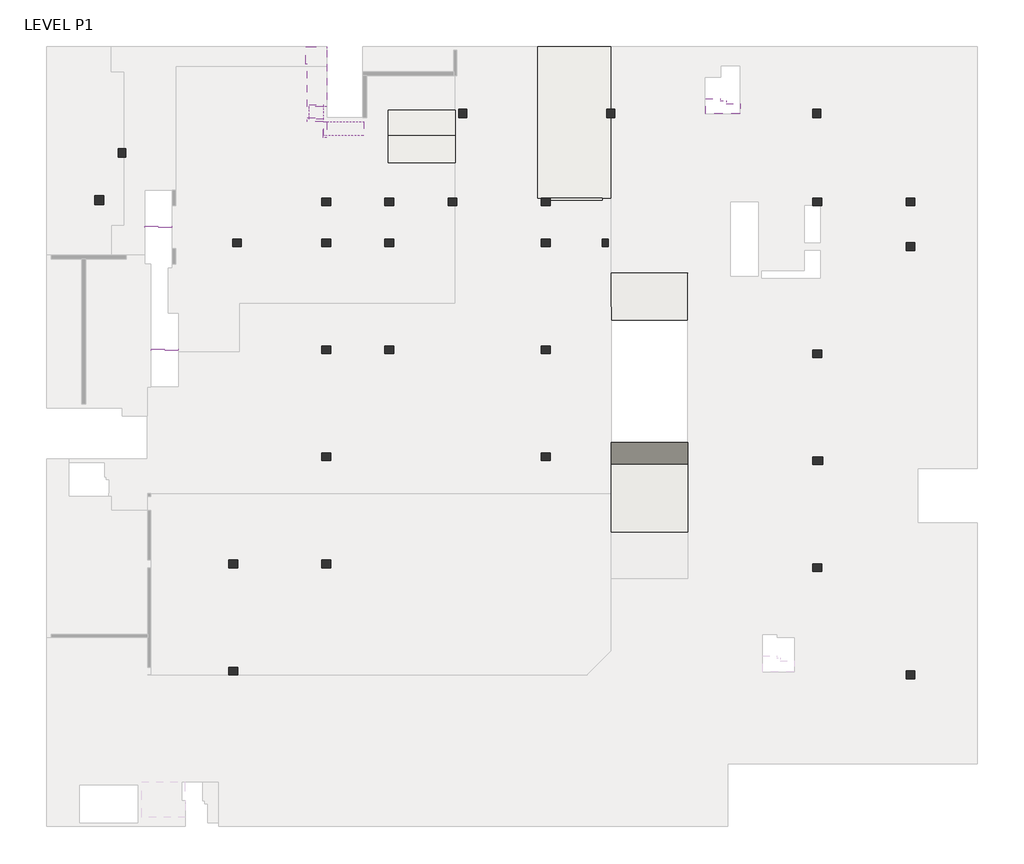
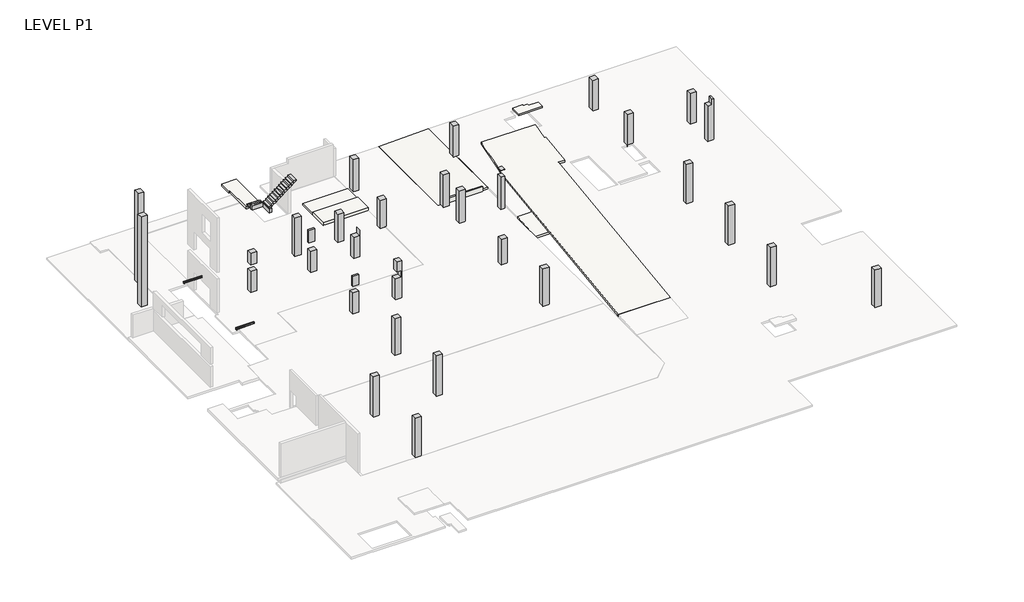
# One storey, part 2 of 2: 29 columns, 9 slabs, 5 beams, 2 stair flights.
"""IFC4 building model written with IfcOpenShell, lengths in millimetres."""

import ifcopenshell
import ifcopenshell.guid

model = None  # the IFC model being written
_history = None  # IfcOwnerHistory: only IFC2X3 demands one
_inside = {}  # id of a spatial element -> (the spatial element, [elements in it])
_under = {}  # id of a project, library or spatial element -> (it, [spatial elements below it])
_declared = {}  # id of a project -> (the project, [libraries it declares])
_typed = {}  # id of a type object -> (the type object, [elements of that type])
_made_of = {}  # id of a material, layer set ... -> (it, [elements and type objects made of it])


def new_model(schema):
    """Start an empty IFC model of exactly this schema.

    Asked for "IFC4X3", IfcOpenShell would pick the latest addendum, in which some entities
    have other attributes; the version numbers below select the first issue.
    IFC2X3 requires an IfcOwnerHistory on every rooted entity: one is made here for all.
    """
    global model, _history
    if schema == "IFC4X3":
        model = ifcopenshell.file(schema_version=(4, 3, 0, 0))
    else:
        model = ifcopenshell.file(schema=schema)
    _inside.clear()
    _under.clear()
    _declared.clear()
    _typed.clear()
    _made_of.clear()
    _history = None
    if model.schema == "IFC2X3":
        org = make("IfcOrganization", Name="unknown")
        user = make(
            "IfcPersonAndOrganization",
            ThePerson=make("IfcPerson", FamilyName="unknown"),
            TheOrganization=org,
        )
        app = make(
            "IfcApplication",
            ApplicationDeveloper=org,
            Version="unknown",
            ApplicationFullName="unknown",
            ApplicationIdentifier="unknown",
        )
        _history = make(
            "IfcOwnerHistory",
            OwningUser=user,
            OwningApplication=app,
            ChangeAction="ADDED",
            CreationDate=0,
        )
    return model


def make(cls, **values):
    """One entity of the class cls with the attributes given. An attribute that is None is left unset."""
    return model.create_entity(
        cls, **{name: value for name, value in values.items() if value is not None}
    )


def rooted(cls, **values):
    """An entity with a GlobalId (a new one), such as an element, a storey or a relation."""
    return make(cls, GlobalId=ifcopenshell.guid.new(), OwnerHistory=_history, **values)


def si_unit(unit_type, name, prefix=None):
    """IfcSIUnit, for example si_unit("LENGTHUNIT", "METRE", prefix="MILLI")."""
    return make("IfcSIUnit", UnitType=unit_type, Prefix=prefix, Name=name)


def assignment(units):
    """IfcUnitAssignment: the units of a project."""
    return None if units is None else make("IfcUnitAssignment", Units=units)


def point(xyz):
    """IfcCartesianPoint."""
    return None if xyz is None else make("IfcCartesianPoint", Coordinates=xyz)


def direction(xyz):
    """IfcDirection."""
    return None if xyz is None else make("IfcDirection", DirectionRatios=xyz)


def frame(location, z_axis=None, x_axis=None):
    """IfcAxis2Placement3D, a coordinate frame: its origin and axes. An axis left out is left unset."""
    return make(
        "IfcAxis2Placement3D",
        Location=point(location),
        Axis=direction(z_axis),
        RefDirection=direction(x_axis),
    )


def frame_2d(location, x_axis=None):
    """IfcAxis2Placement2D, a coordinate frame in the plane: its origin and x axis."""
    return make(
        "IfcAxis2Placement2D", Location=point(location), RefDirection=direction(x_axis)
    )


def origin():
    """The frame at (0, 0, 0) with its axes left unset."""
    return frame((0.0, 0.0, 0.0))


def place(relative_to, where):
    """IfcLocalPlacement: puts the frame where relative to a parent placement (None: the world)."""
    return make(
        "IfcLocalPlacement", PlacementRelTo=relative_to, RelativePlacement=where
    )


def context(
    kind, dimensions, precision=None, world=None, true_north=None, identifier=None
):
    """IfcGeometricRepresentationContext, for example the 3D "Model" context."""
    return make(
        "IfcGeometricRepresentationContext",
        ContextIdentifier=identifier,
        ContextType=kind,
        CoordinateSpaceDimension=dimensions,
        Precision=precision,
        WorldCoordinateSystem=world,
        TrueNorth=true_north,
    )


def project(units=None, contexts=None):
    """IfcProject with its units and contexts."""
    return rooted(
        "IfcProject",
        Name="project",
        RepresentationContexts=contexts,
        UnitsInContext=assignment(units),
    )


def spatial(cls, under=None, at=None, **own):
    """A site, building, storey or space (cls), placed at a placement, below another one or the project."""
    s = rooted(cls, ObjectPlacement=at, **own)
    if under is not None:
        _under.setdefault(under.id(), (under, []))[1].append(s)
    return s


def polyline(points):
    """IfcPolyline through the points."""
    return make("IfcPolyline", Points=[point(p) for p in points])


def circle_curve(where, radius):
    """IfcCircle in the frame where."""
    return make("IfcCircle", Position=where, Radius=radius)


def trimmed(basis, trim1, trim2, sense, master):
    """IfcTrimmedCurve: the piece of a basis curve between two trims."""
    return make(
        "IfcTrimmedCurve",
        BasisCurve=basis,
        Trim1=trim1,
        Trim2=trim2,
        SenseAgreement=sense,
        MasterRepresentation=master,
    )


def segment(curve, same_sense, transition):
    """IfcCompositeCurveSegment."""
    return make(
        "IfcCompositeCurveSegment",
        Transition=transition,
        SameSense=same_sense,
        ParentCurve=curve,
    )


def composite_curve(segments, self_intersect=None):
    """IfcCompositeCurve: segments joined end to end."""
    return make("IfcCompositeCurve", Segments=segments, SelfIntersect=self_intersect)


def outline(outer, holes=None, kind="AREA"):
    """IfcArbitraryClosedProfileDef: a profile drawn as a closed curve; with holes, ...WithVoids."""
    if holes is None:
        return make("IfcArbitraryClosedProfileDef", ProfileType=kind, OuterCurve=outer)
    return make(
        "IfcArbitraryProfileDefWithVoids",
        ProfileType=kind,
        OuterCurve=outer,
        InnerCurves=holes,
    )


def extrude(swept, where, along, depth):
    """IfcExtrudedAreaSolid: the profile swept, set in the frame where, extruded along a direction by depth."""
    return make(
        "IfcExtrudedAreaSolid",
        SweptArea=swept,
        Position=where,
        ExtrudedDirection=direction(along),
        Depth=depth,
    )


def faces_of(points, faces, orient=None, outer=None):
    """IfcFace entities. A face is a list of loops; a loop is a list of indices into points, from 0.

    orient and outer hold one flag for each loop. By default every Orientation is true, the
    first loop of a face is its IfcFaceOuterBound and the others are IfcFaceBound.
    """
    made = []
    for i, loops in enumerate(faces):
        bounds = []
        for j, loop in enumerate(loops):
            is_outer = j == 0 if outer is None else outer[i][j]
            bounds.append(
                make(
                    "IfcFaceOuterBound" if is_outer else "IfcFaceBound",
                    Bound=make("IfcPolyLoop", Polygon=[points[k] for k in loop]),
                    Orientation=True if orient is None else orient[i][j],
                )
            )
        made.append(make("IfcFace", Bounds=bounds))
    return made


def faceted_brep(points, faces, orient=None, outer=None, voids=None):
    """IfcFacetedBrep: a solid bounded by flat faces; with voids (closed shells), ...WithVoids."""
    shared = [point(p) for p in points]
    hull = make("IfcClosedShell", CfsFaces=faces_of(shared, faces, orient, outer))
    if voids is None:
        return make("IfcFacetedBrep", Outer=hull)
    return make(
        "IfcFacetedBrepWithVoids",
        Outer=hull,
        Voids=[
            make(cls, CfsFaces=faces_of(shared, fs, o, b)) for cls, fs, o, b in voids
        ],
    )


def shape(context_of_items, identifier, shape_type, items):
    """IfcShapeRepresentation: the items that make up one representation, for example the "Body"."""
    return make(
        "IfcShapeRepresentation",
        ContextOfItems=context_of_items,
        RepresentationIdentifier=identifier,
        RepresentationType=shape_type,
        Items=items,
    )


def source(mapping_origin, context_of_items, identifier, shape_type, items):
    """IfcRepresentationMap: a shape defined once, which mapped items show again and again."""
    return make(
        "IfcRepresentationMap",
        MappingOrigin=mapping_origin,
        MappedRepresentation=shape(context_of_items, identifier, shape_type, items),
    )


def transform(
    local_origin,
    x_axis=None,
    y_axis=None,
    z_axis=None,
    scale=None,
    scale2=None,
    scale3=None,
    uniform=True,
):
    """IfcCartesianTransformationOperator3D, or its non-uniform kind. x_axis, y_axis, z_axis: its Axis1, 2, 3."""
    if uniform:
        return make(
            "IfcCartesianTransformationOperator3D",
            Axis1=direction(x_axis),
            Axis2=direction(y_axis),
            LocalOrigin=point(local_origin),
            Scale=scale,
            Axis3=direction(z_axis),
        )
    return make(
        "IfcCartesianTransformationOperator3DnonUniform",
        Axis1=direction(x_axis),
        Axis2=direction(y_axis),
        LocalOrigin=point(local_origin),
        Scale=scale,
        Axis3=direction(z_axis),
        Scale2=scale2,
        Scale3=scale3,
    )


def mapped(mapping_source, mapping_target):
    """IfcMappedItem: shows the shape of a source again, moved by a transform."""
    return make(
        "IfcMappedItem", MappingSource=mapping_source, MappingTarget=mapping_target
    )


def made_of(thing, what):
    """Note that an element or type object is made of a material, layer set ...; save() writes the relation."""
    if what is not None:
        _made_of.setdefault(what.id(), (what, []))[1].append(thing)
    return thing


def element(
    cls,
    number,
    at=None,
    inside=None,
    cuts=None,
    type_object=None,
    material=None,
    context=None,
    identifier="Body",
    shape_type=None,
    held_by="IfcProductDefinitionShape",
    body=None,
    shapes=None,
    **own,
):
    """One element of the class cls, such as IfcWall. Its Tag is "e" and its number.

    at: its placement. inside: the storey or other place that contains it. cuts: it is an
    opening in that element (IfcRelVoidsElement). A single representation is given by context,
    identifier, shape_type and body (its items); several are given by shapes. held_by: the class
    of the entity that holds the representations. save() writes the other relations.
    """
    e = rooted(cls, Tag="e%d" % number, ObjectPlacement=at, **own)
    if body is not None:
        shapes = [shape(context, identifier, shape_type, body)]
    if shapes is not None:
        e.Representation = make(held_by, Representations=shapes)
    if inside is not None:
        _inside.setdefault(inside.id(), (inside, []))[1].append(e)
    if cuts is not None:
        rooted(
            "IfcRelVoidsElement", RelatingBuildingElement=cuts, RelatedOpeningElement=e
        )
    if type_object is not None:
        _typed.setdefault(type_object.id(), (type_object, []))[1].append(e)
    return made_of(e, material)


def aggregate(whole, parts):
    """IfcRelAggregates: a whole, such as a stair, and the parts it consists of."""
    return rooted("IfcRelAggregates", RelatingObject=whole, RelatedObjects=parts)


def save(model, path):
    """Write the relations noted so far, then the file.

    IfcRelAggregates (storeys below a building ...), IfcRelContainedInSpatialStructure (elements
    in a storey), IfcRelDefinesByType, IfcRelAssociatesMaterial and IfcRelDeclares: one each for
    every whole, place, type object, material and project.
    """
    for whole, parts in _under.values():
        aggregate(whole, parts)
    for where, things in _inside.values():
        rooted(
            "IfcRelContainedInSpatialStructure",
            RelatedElements=things,
            RelatingStructure=where,
        )
    for kind, things in _typed.values():
        rooted("IfcRelDefinesByType", RelatedObjects=things, RelatingType=kind)
    for what, things in _made_of.values():
        rooted("IfcRelAssociatesMaterial", RelatedObjects=things, RelatingMaterial=what)
    for by, libraries in _declared.values():
        rooted("IfcRelDeclares", RelatingContext=by, RelatedDefinitions=libraries)
    model.write(path)


def s200x27_005503ed(model_context):
    return source(origin(), model_context, "Body", "SweptSolid", [
        extrude(outline(composite_curve([segment(polyline([(51.0, -90.7), (51.0, -101.5), (-51.0, -101.5), (-51.0, -90.7), (-16.65, -90.7)]), True, "CONTINUOUS"), segment(trimmed(circle_curve(frame_2d((-16.65, -77.5)), 13.2), [point((-16.65, -90.7))], [point((-3.45, -77.5))], True, "CARTESIAN"), True, "CONTINUOUS"), segment(polyline([(-3.45, -77.5), (-3.45, 77.5)]), True, "CONTINUOUS"), segment(trimmed(circle_curve(frame_2d((-16.65, 77.5)), 13.2), [point((-3.45, 77.5))], [point((-16.65, 90.7))], True, "CARTESIAN"), True, "CONTINUOUS"), segment(polyline([(-16.65, 90.7), (-51.0, 90.7), (-51.0, 101.5), (51.0, 101.5), (51.0, 90.7), (16.65, 90.7)]), True, "CONTINUOUS"), segment(trimmed(circle_curve(frame_2d((16.65, 77.5)), 13.2), [point((16.65, 90.7))], [point((3.45, 77.5))], True, "CARTESIAN"), True, "CONTINUOUS"), segment(polyline([(3.45, 77.5), (3.45, -77.5)]), True, "CONTINUOUS"), segment(trimmed(circle_curve(frame_2d((16.65, -77.5)), 13.2), [point((3.45, -77.5))], [point((16.65, -90.7))], True, "CARTESIAN"), True, "CONTINUOUS"), segment(polyline([(16.65, -90.7), (51.0, -90.7)]), True, "CONTINUOUS")], self_intersect=False)), frame((-1067.0, 0.0, 0.0), z_axis=(1.0, 0.0, 0.0), x_axis=(0.0, 1.0, 0.0)), (0.0, 0.0, 1.0), 2134.0),
    ])


model = new_model("IFC4")

# Units and contexts
model_context = context("Model", 3, world=origin())
ifc_project = project(units=[si_unit("LENGTHUNIT", "METRE", prefix="MILLI")], contexts=[model_context])

# Site, building, storey
site = spatial("IfcSite", under=ifc_project)
building = spatial("IfcBuilding", under=site)
storey = spatial("IfcBuildingStorey", under=building, Name="LEVEL P1", Elevation=-5400.0)

# Beams
placement = place(None, origin())
element("IfcBeam", 1, ObjectType="110 DP.", at=placement, inside=storey, context=model_context, shape_type="SweptSolid", body=[
    extrude(outline(polyline([(187204.1491693, 170963.2834172), (187204.1491693, 168163.2834172), (178361.1491693, 168163.2834172), (178361.1491693, 170963.2834172), (187204.1491693, 170963.2834172)]), holes=[polyline([(186201.1489175, 169263.2322067), (186201.1489175, 169863.2322067), (185501.1489175, 169863.2322067), (185501.1489175, 169263.2322067), (186201.1489175, 169263.2322067)])]), frame((0.0, 0.0, -5510.0), z_axis=(0.0, 0.0, 1.0), x_axis=(1.0, 0.0, 0.0)), (0.0, 0.0, 1.0), 110.0),
])
element("IfcBeam", 2, ObjectType="300X500", at=placement, inside=storey, context=model_context, shape_type="SweptSolid", body=[
    extrude(outline(polyline([(198454.4437068, 212663.2318341), (198454.4437068, 212963.2318341), (199694.4437068, 212963.2318341), (199694.4437068, 212663.2318341), (198454.4437068, 212663.2318341)])), frame((0.0, 0.0, -3315.0), z_axis=(0.0, 0.0, 1.0), x_axis=(1.0, 0.0, 0.0)), (0.0, 0.0, 1.0), 500.0),
])
element("IfcBeam", 3, ObjectType="300X500", at=placement, inside=storey, context=model_context, shape_type="SweptSolid", body=[
    extrude(outline(polyline([(199994.4437068, 211423.2318341), (199694.4437068, 211423.2318341), (199694.4437068, 212663.2318341), (199994.4437068, 212663.2318341), (199994.4437068, 211423.2318341)])), frame((0.0, 0.0, -3315.0), z_axis=(0.0, 0.0, 1.0), x_axis=(1.0, 0.0, 0.0)), (0.0, 0.0, 1.0), 500.0),
])
s200x27_shape = s200x27_005503ed(model_context)
element("IfcBeam", 4, ObjectType="S200X27", at=placement, inside=storey, context=model_context, shape_type="MappedRepresentation", body=[
    mapped(s200x27_shape, transform((186781.1489205, 204400.6983002, -2701.5), x_axis=(1.0, 0.0, 0.0), y_axis=(0.0, 1.0, 0.0), z_axis=(0.0, 0.0, 1.0))),
])
element("IfcBeam", 5, ObjectType="S200X27", at=placement, inside=storey, context=model_context, shape_type="MappedRepresentation", body=[
    mapped(s200x27_shape, transform((187281.1489175, 194763.2322067, -2701.5), x_axis=(1.0, 0.0, 0.0), y_axis=(0.0, 1.0, 0.0), z_axis=(0.0, 0.0, 1.0))),
])

# Columns
element("IfcColumn", 6, ObjectType="SE_CONCRETE COLUMN_RECTANGULAR : 600X700", at=placement, inside=storey, context=model_context, shape_type="SweptSolid", body=[
    extrude(outline(polyline([(183637.3313273, 209868.1983002), (183637.3313273, 210568.1983002), (184237.3313273, 210568.1983002), (184237.3313273, 209868.1983002), (183637.3313273, 209868.1983002)])), frame((0.0, 0.0, -5400.0), z_axis=(0.0, 0.0, 1.0), x_axis=(1.0, 0.0, 0.0)), (0.0, 0.0, 1.0), 11000.0),
])
element("IfcColumn", 7, ObjectType="SE_CONCRETE COLUMN_RECTANGULAR : 600X700", at=placement, inside=storey, context=model_context, shape_type="SweptSolid", body=[
    extrude(outline(polyline([(213663.2318341, -5400.0), (212963.2318341, -5400.0), (212963.2318341, -1466.7642571), (213663.2318341, -1437.0812175), (213663.2318341, -5400.0)])), frame((210352.1491692, 0.0, 0.0), z_axis=(1.0, 0.0, 0.0), x_axis=(0.0, 1.0, 0.0)), (0.0, 0.0, 1.0), 600.0),
])
element("IfcColumn", 8, ObjectType="SE_CONCRETE COLUMN_RECTANGULAR : 600X700", at=placement, inside=storey, context=model_context, shape_type="SweptSolid", body=[
    extrude(outline(polyline([(222552.1491692, 213663.2318341), (222552.1491692, 212963.2318341), (221952.1491692, 212963.2318341), (221952.1491692, 213663.2318341), (222552.1491692, 213663.2318341)])), frame((0.0, 0.0, -5400.0), z_axis=(0.0, 0.0, 1.0), x_axis=(1.0, 0.0, 0.0)), (0.0, 0.0, 1.0), 3975.0),
])
element("IfcColumn", 9, ObjectType="SE_CONCRETE COLUMN_RECTANGULAR : 600X700", at=placement, inside=storey, context=model_context, shape_type="SweptSolid", body=[
    extrude(outline(polyline([(238711.1491692, 213663.2318341), (238711.1491692, 212963.2318341), (238111.1491692, 212963.2318341), (238111.1491692, 213663.2318341), (238711.1491692, 213663.2318341)])), frame((0.0, 0.0, -5400.0), z_axis=(0.0, 0.0, 1.0), x_axis=(1.0, 0.0, 0.0)), (0.0, 0.0, 1.0), 3940.0),
])
element("IfcColumn", 10, ObjectType="SE_CONCRETE COLUMN_RECTANGULAR : 600X700", at=placement, inside=storey, context=model_context, shape_type="SweptSolid", body=[
    extrude(outline(polyline([(200296.1491692, 206663.2322067), (200296.1491692, 206063.2322067), (199596.1491692, 206063.2322067), (199596.1491692, 206663.2322067), (200296.1491692, 206663.2322067)])), frame((0.0, 0.0, -5400.0), z_axis=(0.0, 0.0, 1.0), x_axis=(1.0, 0.0, 0.0)), (0.0, 0.0, 1.0), 4750.0),
])
element("IfcColumn", 11, ObjectType="SE_CONCRETE COLUMN_RECTANGULAR : 600X700", at=placement, inside=storey, context=model_context, shape_type="SweptSolid", body=[
    extrude(outline(polyline([(206663.2322067, -5400.0), (206063.2322067, -5400.0), (206063.2322067, -1956.7141542), (206663.2322067, -1914.7141542), (206663.2322067, -5400.0)])), frame((204546.1491692, 0.0, 0.0), z_axis=(1.0, 0.0, 0.0), x_axis=(0.0, 1.0, 0.0)), (0.0, 0.0, 1.0), 700.0),
])
element("IfcColumn", 12, ObjectType="SE_CONCRETE COLUMN_RECTANGULAR : 600X700", at=placement, inside=storey, context=model_context, shape_type="SweptSolid", body=[
    extrude(outline(polyline([(206663.2322067, -5400.0), (206063.2322067, -5400.0), (206063.2322067, -1956.7141542), (206663.2322067, -1914.7141542), (206663.2322067, -5400.0)])), frame((209496.1491692, 0.0, 0.0), z_axis=(1.0, 0.0, 0.0), x_axis=(0.0, 1.0, 0.0)), (0.0, 0.0, 1.0), 700.0),
])
element("IfcColumn", 13, ObjectType="SE_CONCRETE COLUMN_RECTANGULAR : 600X700", at=placement, inside=storey, context=model_context, shape_type="Brep", body=[
    faceted_brep([(205246.1491692, 202863.2322067, -5400.0), (204546.1491692, 202863.2322067, -5400.0), (204546.1491692, 203463.2322067, -5400.0), (205246.1491692, 203463.2322067, -5400.0), (205246.1491692, 202863.2322067, -2180.7141542), (205231.1958691, 202863.2322067, -2180.7141542), (205231.1958691, 202863.2322067, -2850.0), (204546.1491692, 202863.2322067, -2850.0), (204546.1491692, 203463.2322067, -2850.0), (205231.1958691, 203463.2322067, -2850.0), (205231.1958691, 203463.2322067, -2138.7141542), (205246.1491692, 203463.2322067, -2138.7141542)], [[[0, 1, 2, 3]], [[1, 0, 4, 5, 6, 7]], [[2, 1, 7, 8]], [[3, 2, 8, 9, 10, 11]], [[0, 3, 11, 4]], [[6, 9, 8, 7]], [[9, 6, 5, 10]], [[5, 4, 11, 10]]]),
])
element("IfcColumn", 14, ObjectType="SE_CONCRETE COLUMN_RECTANGULAR : 600X700", at=placement, inside=storey, context=model_context, shape_type="SweptSolid", body=[
    extrude(outline(polyline([(200296.1491692, 202863.2322067), (199596.1491692, 202863.2322067), (199596.1491692, 203463.2322067), (200296.1491692, 203463.2322067), (200296.1491692, 202863.2322067)])), frame((0.0, 0.0, -5400.0), z_axis=(0.0, 0.0, 1.0), x_axis=(1.0, 0.0, 0.0)), (0.0, 0.0, 1.0), 2550.0),
    extrude(outline(polyline([(199596.1491692, 203463.2322067), (200296.1491692, 203463.2322067), (200296.1491692, 203263.2322067), (199596.1491692, 203263.2322067), (199596.1491692, 203463.2322067)])), frame((0.0, 0.0, -2050.0), z_axis=(0.0, 0.0, 1.0), x_axis=(1.0, 0.0, 0.0)), (0.0, 0.0, 1.0), 1570.0),
])
element("IfcColumn", 15, ObjectType="SE_CONCRETE COLUMN_RECTANGULAR : 600X700", at=placement, inside=storey, context=model_context, shape_type="SweptSolid", body=[
    extrude(outline(polyline([(217496.1491692, 206663.2322067), (217496.1491692, 206063.2322067), (216796.1491692, 206063.2322067), (216796.1491692, 206663.2322067), (217496.1491692, 206663.2322067)])), frame((0.0, 0.0, -5400.0), z_axis=(0.0, 0.0, 1.0), x_axis=(1.0, 0.0, 0.0)), (0.0, 0.0, 1.0), 3975.0),
])
element("IfcColumn", 16, ObjectType="SE_CONCRETE COLUMN_RECTANGULAR : 600X700", at=placement, inside=storey, context=model_context, shape_type="SweptSolid", body=[
    extrude(outline(polyline([(238811.1491692, 206663.2322067), (238811.1491692, 206063.2322067), (238111.1491692, 206063.2322067), (238111.1491692, 206663.2322067), (238811.1491692, 206663.2322067)])), frame((0.0, 0.0, -5400.0), z_axis=(0.0, 0.0, 1.0), x_axis=(1.0, 0.0, 0.0)), (0.0, 0.0, 1.0), 3940.0),
])
element("IfcColumn", 17, ObjectType="SE_CONCRETE COLUMN_RECTANGULAR : 600X700", at=placement, inside=storey, context=model_context, shape_type="Brep", body=[
    faceted_brep([(193296.1491692, 202863.2322067, -5400.0), (192596.1491692, 202863.2322067, -5400.0), (192596.1491692, 203463.2322067, -5400.0), (193296.1491692, 203463.2322067, -5400.0), (192596.1491692, 202863.2322067, -2850.0), (193296.1491692, 202863.2322067, -2850.0), (193296.1491692, 203463.2322067, -2850.0), (192596.1491692, 203463.2322067, -2850.0)], [[[0, 1, 2, 3]], [[4, 5, 6, 7]], [[1, 0, 5, 4]], [[2, 1, 4, 7]], [[3, 2, 7, 6]], [[0, 3, 6, 5]]]),
    faceted_brep([(193296.1491692, 202863.2322067, -650.0), (192596.1491692, 202863.2322067, -650.0), (192596.1491692, 202863.2322067, -2050.0), (193296.1491692, 202863.2322067, -2050.0), (192596.1491692, 203463.2322067, -650.0), (192596.1491692, 203463.2322067, -2050.0), (193296.1491692, 203463.2322067, -650.0), (193296.1491692, 203463.2322067, -2050.0), (193296.1491692, 203263.2322067, -2050.0)], [[[0, 1, 2, 3]], [[1, 4, 5, 2]], [[4, 6, 7, 5]], [[6, 0, 3, 8, 7]], [[1, 0, 6, 4]], [[3, 2, 5, 7, 8]]]),
])
element("IfcColumn", 18, ObjectType="SE_CONCRETE COLUMN_RECTANGULAR : 600X700", at=placement, inside=storey, context=model_context, shape_type="SweptSolid", body=[
    extrude(outline(polyline([(246111.1491692, 206063.2322067), (245411.1491692, 206063.2322067), (245411.1491692, 206663.2322067), (246111.1491692, 206663.2322067), (246111.1491692, 206063.2322067)])), frame((0.0, 0.0, -5400.0), z_axis=(0.0, 0.0, 1.0), x_axis=(1.0, 0.0, 0.0)), (0.0, 0.0, 1.0), 3940.0),
])
element("IfcColumn", 19, ObjectType="SE_CONCRETE COLUMN_RECTANGULAR : 600X700", at=placement, inside=storey, context=model_context, shape_type="SweptSolid", body=[
    extrude(outline(polyline([(217496.1491692, 202863.2322067), (216796.1491692, 202863.2322067), (216796.1491692, 203463.2322067), (217496.1491692, 203463.2322067), (217496.1491692, 202863.2322067)])), frame((0.0, 0.0, -5400.0), z_axis=(0.0, 0.0, 1.0), x_axis=(1.0, 0.0, 0.0)), (0.0, 0.0, 1.0), 3975.0),
])
element("IfcColumn", 20, ObjectType="SE_CONCRETE COLUMN_RECTANGULAR : 600X700", at=placement, inside=storey, context=model_context, shape_type="SweptSolid", body=[
    extrude(outline(polyline([(221596.1491692, 202863.2322067), (221596.1491692, 203463.2322067), (222046.1491692, 203463.2322067), (222046.1491692, 202863.2322067), (221596.1491692, 202863.2322067)])), frame((0.0, 0.0, -5400.0), z_axis=(0.0, 0.0, 1.0), x_axis=(1.0, 0.0, 0.0)), (0.0, 0.0, 1.0), 3975.0),
    extrude(outline(polyline([(221596.1491692, 202863.2322067), (221596.1491692, 203463.2322067), (222046.1491692, 203463.2322067), (222046.1491692, 202863.2322067), (221596.1491692, 202863.2322067)])), frame((0.0, 0.0, -625.0), z_axis=(0.0, 0.0, 1.0), x_axis=(1.0, 0.0, 0.0)), (0.0, 0.0, 1.0), 25.0),
])
element("IfcColumn", 21, ObjectType="SE_CONCRETE COLUMN_RECTANGULAR : 600X700", at=placement, inside=storey, context=model_context, shape_type="Brep", body=[
    faceted_brep([(246111.1491692, 202563.2318341, -5400.0), (245411.1491692, 202563.2318341, -5400.0), (245411.1491692, 203163.2318341, -5400.0), (246111.1491692, 203163.2318341, -5400.0), (246111.1491692, 202563.2318341, -1630.0), (246111.1491692, 202563.2318341, -1460.0), (246111.1491692, 202563.2318341, -200.0), (245917.5141063, 202563.2318341, -200.0), (245917.5141063, 202563.2318341, -850.0), (245411.1491692, 202563.2318341, -850.0), (245411.1491692, 202563.2318341, -1460.0), (245411.1491692, 202563.2318341, -1630.0), (245411.1491692, 203163.2318341, -850.0), (245411.1491692, 203163.2318341, -1460.0), (245411.1491692, 203163.2318341, -1630.0), (245917.5141063, 203163.2318341, -850.0), (245917.5141063, 203163.2318341, -200.0), (246111.1491692, 203163.2318341, -200.0), (246111.1491692, 203163.2318341, -1460.0), (246111.1491692, 203163.2318341, -1630.0)], [[[0, 1, 2, 3]], [[1, 0, 4, 5, 6, 7, 8, 9, 10, 11]], [[2, 1, 11, 10, 9, 12, 13, 14]], [[3, 2, 14, 13, 12, 15, 16, 17, 18, 19]], [[0, 3, 19, 18, 17, 6, 5, 4]], [[6, 17, 16, 7]], [[15, 8, 7, 16]], [[8, 15, 12, 9]]]),
])
element("IfcColumn", 22, ObjectType="SE_CONCRETE COLUMN_RECTANGULAR : 600X700", at=placement, inside=storey, context=model_context, shape_type="SweptSolid", body=[
    extrude(outline(polyline([(200296.1491692, 194463.2322067), (199596.1491692, 194463.2322067), (199596.1491692, 195063.2322067), (200296.1491692, 195063.2322067), (200296.1491692, 194463.2322067)])), frame((0.0, 0.0, -5400.0), z_axis=(0.0, 0.0, 1.0), x_axis=(1.0, 0.0, 0.0)), (0.0, 0.0, 1.0), 2550.0),
    extrude(outline(polyline([(200296.1491692, 194463.2322067), (199596.1491692, 194463.2322067), (199596.1491692, 194663.2322067), (200296.1491692, 194663.2322067), (200296.1491692, 194463.2322067)])), frame((0.0, 0.0, -2050.0), z_axis=(0.0, 0.0, 1.0), x_axis=(1.0, 0.0, 0.0)), (0.0, 0.0, 1.0), 1250.0),
])
element("IfcColumn", 23, ObjectType="SE_CONCRETE COLUMN_RECTANGULAR : 600X700", at=placement, inside=storey, context=model_context, shape_type="SweptSolid", body=[
    extrude(outline(polyline([(-5400.0, 204546.1491692), (-5400.0, 205246.1491692), (-800.0, 205246.1491692), (-800.0, 204687.7148824), (-2050.0, 204687.7148824), (-2050.0, 205231.1958691), (-2850.0, 205231.1958691), (-2850.0, 204546.1491692), (-5400.0, 204546.1491692)])), frame((0.0, 194463.2322067, 0.0), z_axis=(0.0, 1.0, 0.0), x_axis=(0.0, 0.0, 1.0)), (0.0, 0.0, 1.0), 600.0),
])
element("IfcColumn", 24, ObjectType="SE_CONCRETE COLUMN_RECTANGULAR : 600X700", at=placement, inside=storey, context=model_context, shape_type="SweptSolid", body=[
    extrude(outline(polyline([(217496.1491692, 194463.2322067), (216796.1491692, 194463.2322067), (216796.1491692, 195063.2322067), (217496.1491692, 195063.2322067), (217496.1491692, 194463.2322067)])), frame((0.0, 0.0, -5400.0), z_axis=(0.0, 0.0, 1.0), x_axis=(1.0, 0.0, 0.0)), (0.0, 0.0, 1.0), 3125.0),
])
element("IfcColumn", 25, ObjectType="SE_CONCRETE COLUMN_RECTANGULAR : 600X700", at=placement, inside=storey, context=model_context, shape_type="Brep", body=[
    faceted_brep([(238811.1491692, 194163.2318341, -5400.0), (238111.1491692, 194163.2318341, -5400.0), (238111.1491692, 194763.2318341, -5400.0), (238811.1491692, 194763.2318341, -5400.0), (238811.1491692, 194163.2318341, -1630.0), (238811.1491692, 194163.2318341, -380.0), (238111.1491692, 194163.2318341, -380.0), (238111.1491692, 194163.2318341, -1630.0), (238111.1491692, 194763.2318341, -380.0), (238111.1491692, 194763.2318341, -1630.0), (238811.1491692, 194763.2318341, -380.0), (238811.1491692, 194763.2318341, -1630.0)], [[[0, 1, 2, 3]], [[1, 0, 4, 5, 6, 7]], [[2, 1, 7, 6, 8, 9]], [[3, 2, 9, 8, 10, 11]], [[0, 3, 11, 10, 5, 4]], [[6, 5, 10, 8]]]),
])
element("IfcColumn", 26, ObjectType="SE_CONCRETE COLUMN_RECTANGULAR : 600X700", at=placement, inside=storey, context=model_context, shape_type="SweptSolid", body=[
    extrude(outline(polyline([(200296.1491692, 186063.2322067), (199596.1491692, 186063.2322067), (199596.1491692, 186663.2322067), (200296.1491692, 186663.2322067), (200296.1491692, 186063.2322067)])), frame((0.0, 0.0, -5400.0), z_axis=(0.0, 0.0, 1.0), x_axis=(1.0, 0.0, 0.0)), (0.0, 0.0, 1.0), 4470.0),
])
element("IfcColumn", 27, ObjectType="SE_CONCRETE COLUMN_RECTANGULAR : 600X700", at=placement, inside=storey, context=model_context, shape_type="SweptSolid", body=[
    extrude(outline(polyline([(217496.1491692, 186063.2322067), (216796.1491692, 186063.2322067), (216796.1491692, 186663.2322067), (217496.1491692, 186663.2322067), (217496.1491692, 186063.2322067)])), frame((0.0, 0.0, -5400.0), z_axis=(0.0, 0.0, 1.0), x_axis=(1.0, 0.0, 0.0)), (0.0, 0.0, 1.0), 4600.0),
])
element("IfcColumn", 28, ObjectType="SE_CONCRETE COLUMN_RECTANGULAR : 600X700", at=placement, inside=storey, context=model_context, shape_type="Brep", body=[
    faceted_brep([(192996.1491692, 177663.2322067, -5400.0), (192296.1491692, 177663.2322067, -5400.0), (192296.1491692, 178263.2322067, -5400.0), (192996.1491692, 178263.2322067, -5400.0), (192996.1491692, 177663.2322067, -1630.0), (192996.1491692, 177663.2322067, -380.0), (192296.1491692, 177663.2322067, -380.0), (192296.1491692, 177663.2322067, -1630.0), (192296.1491692, 178263.2322067, -380.0), (192296.1491692, 178263.2322067, -1630.0), (192996.1491692, 178263.2322067, -380.0), (192996.1491692, 178263.2322067, -1630.0)], [[[0, 1, 2, 3]], [[1, 0, 4, 5, 6, 7]], [[2, 1, 7, 6, 8, 9]], [[3, 2, 9, 8, 10, 11]], [[0, 3, 11, 10, 5, 4]], [[6, 5, 10, 8]]]),
])
element("IfcColumn", 29, ObjectType="SE_CONCRETE COLUMN_RECTANGULAR : 600X700", at=placement, inside=storey, context=model_context, shape_type="Brep", body=[
    faceted_brep([(200296.1491692, 177663.2322067, -5400.0), (199596.1491692, 177663.2322067, -5400.0), (199596.1491692, 178263.2322067, -5400.0), (200296.1491692, 178263.2322067, -5400.0), (200296.1491692, 177663.2322067, -1630.0), (200296.1491692, 177663.2322067, -380.0), (199596.1491692, 177663.2322067, -380.0), (199596.1491692, 177663.2322067, -1630.0), (199596.1491692, 178263.2322067, -380.0), (199596.1491692, 178263.2322067, -1630.0), (200296.1491692, 178263.2322067, -380.0), (200296.1491692, 178263.2322067, -1630.0)], [[[0, 1, 2, 3]], [[1, 0, 4, 5, 6, 7]], [[2, 1, 7, 6, 8, 9]], [[3, 2, 9, 8, 10, 11]], [[0, 3, 11, 10, 5, 4]], [[6, 5, 10, 8]]]),
])
element("IfcColumn", 30, ObjectType="SE_CONCRETE COLUMN_RECTANGULAR : 600X700", at=placement, inside=storey, context=model_context, shape_type="Brep", body=[
    faceted_brep([(192296.1491692, 169863.2322067, -5400.0), (192996.1491692, 169863.2322067, -5400.0), (192996.1491692, 169263.2322067, -5400.0), (192296.1491692, 169263.2322067, -5400.0), (192296.1491692, 169863.2322067, -1630.0), (192296.1491692, 169863.2322067, -380.0), (192996.1491692, 169863.2322067, -380.0), (192996.1491692, 169863.2322067, -1630.0), (192996.1491692, 169263.2322067, -380.0), (192996.1491692, 169263.2322067, -1630.0), (192296.1491692, 169263.2322067, -380.0), (192296.1491692, 169263.2322067, -1630.0)], [[[0, 1, 2, 3]], [[1, 0, 4, 5, 6, 7]], [[2, 1, 7, 6, 8, 9]], [[3, 2, 9, 8, 10, 11]], [[0, 3, 11, 10, 5, 4]], [[6, 5, 10, 8]]]),
])
element("IfcColumn", 31, ObjectType="SE_CONCRETE COLUMN_RECTANGULAR : 600X700", at=placement, inside=storey, context=model_context, shape_type="Brep", body=[
    faceted_brep([(238811.1491692, 177363.2318341, -5400.0), (238111.1491692, 177363.2318341, -5400.0), (238111.1491692, 177963.2318341, -5400.0), (238811.1491692, 177963.2318341, -5400.0), (238811.1491692, 177363.2318341, -1630.0), (238811.1491692, 177363.2318341, -380.0), (238746.1491692, 177363.2318341, -380.0), (238111.1491692, 177363.2318341, -380.0), (238111.1491692, 177363.2318341, -1630.0), (238111.1491692, 177963.2318341, -380.0), (238111.1491692, 177963.2318341, -1630.0), (238746.1491692, 177963.2318341, -380.0), (238811.1491692, 177963.2318341, -380.0), (238811.1491692, 177963.2318341, -1630.0)], [[[0, 1, 2, 3]], [[1, 0, 4, 5, 6, 7, 8]], [[2, 1, 8, 7, 9, 10]], [[3, 2, 10, 9, 11, 12, 13]], [[0, 3, 13, 12, 5, 4]], [[7, 6, 5, 12, 11, 9]]]),
])
element("IfcColumn", 32, ObjectType="SE_CONCRETE COLUMN_RECTANGULAR : 600X700", at=placement, inside=storey, context=model_context, shape_type="Brep", body=[
    faceted_brep([(246111.1491692, 168963.2322067, -5400.0), (245411.1491692, 168963.2322067, -5400.0), (245411.1491692, 169563.2322067, -5400.0), (246111.1491692, 169563.2322067, -5400.0), (246111.1491692, 168963.2322067, -600.0), (245851.9788155, 168963.2322067, -600.0), (245411.1491692, 168963.2322067, -600.0), (245411.1491692, 168963.2322067, -2100.0), (246111.1491692, 168963.2322067, -2100.0), (246111.1491692, 168963.2322067, -850.0), (245411.1491692, 169404.061853, -600.0), (245411.1491692, 169563.2322067, -600.0), (245411.1491692, 169563.2322067, -850.0), (245411.1491692, 169563.2322067, -2100.0), (246111.1491692, 169563.2322067, -600.0), (246111.1491692, 169563.2322067, -850.0), (246111.1491692, 169563.2322067, -2100.0)], [[[0, 1, 2, 3]], [[4, 5, 6, 7, 1, 0, 8, 9]], [[6, 10, 11, 12, 13, 2, 1, 7]], [[11, 14, 15, 16, 3, 2, 13, 12]], [[14, 4, 9, 8, 0, 3, 16, 15]], [[4, 14, 11, 10, 6, 5]]]),
])
element("IfcColumn", 33, ObjectType="SE_CONCRETE COLUMN_RECTANGULAR : 600X750", at=placement, inside=storey, context=model_context, shape_type="Brep", body=[
    faceted_brep([(238861.1491692, 185763.2314614, -5400.0), (238111.1491692, 185763.2314614, -5400.0), (238111.1491692, 186363.2314614, -5400.0), (238861.1491692, 186363.2314614, -5400.0), (238861.1491692, 185763.2314614, -1630.0), (238861.1491692, 185763.2314614, -380.0), (238111.1491692, 185763.2314614, -380.0), (238111.1491692, 185763.2314614, -1630.0), (238111.1491692, 186363.2314614, -380.0), (238111.1491692, 186363.2314614, -1630.0), (238861.1491692, 186363.2314614, -380.0), (238861.1491692, 186363.2314614, -1630.0)], [[[0, 1, 2, 3]], [[1, 0, 4, 5, 6, 7]], [[2, 1, 7, 6, 8, 9]], [[3, 2, 9, 8, 10, 11]], [[0, 3, 11, 10, 5, 4]], [[6, 5, 10, 8]]]),
])
element("IfcColumn", 34, ObjectType="SE_CONCRETE COLUMN_RECTANGULAR : 700X700", at=placement, inside=storey, context=model_context, shape_type="SweptSolid", body=[
    extrude(outline(polyline([(182508.7821787, 206861.7318341), (182508.7821787, 206161.7318341), (181808.7821787, 206161.7318341), (181808.7821787, 206861.7318341), (182508.7821787, 206861.7318341)])), frame((0.0, 0.0, -5400.0), z_axis=(0.0, 0.0, 1.0), x_axis=(1.0, 0.0, 0.0)), (0.0, 0.0, 1.0), 11000.0),
])

# Slabs
element("IfcSlab", 35, at=placement, inside=storey, context=model_context, shape_type="SweptSolid", body=[
    extrude(outline(polyline([(210056.1491692, 209453.2318341), (204808.192602, 209453.2318341), (204808.192602, 211553.2318341), (210056.1491692, 211553.2318341), (210056.1491692, 209453.2318341)])), frame((0.0, 0.0, -5450.0), z_axis=(0.0, 0.0, 1.0), x_axis=(1.0, 0.0, 0.0)), (0.0, 0.0, 1.0), 350.0),
])
element("IfcSlab", 36, at=placement, inside=storey, context=model_context, shape_type="SweptSolid", body=[
    extrude(outline(polyline([(204808.192602, 211553.2318341), (204808.192602, 213553.2318341), (210056.1491692, 213553.2318341), (210056.1491692, 211553.2318341), (204808.192602, 211553.2318341)])), frame((0.0, 0.0, -5450.0), z_axis=(0.0, 0.0, 1.0), x_axis=(1.0, 0.0, 0.0)), (0.0, 0.0, 1.0), 200.0),
])
element("IfcSlab", 37, ObjectType="200 SLAB", at=placement, inside=storey, context=model_context, shape_type="Brep", body=[
    faceted_brep([(228296.1491692, 200767.6490053, -5400.5668454), (228296.1491692, 197117.6490053, -5675.5668454), (222296.1491692, 197117.6490053, -5675.5668454), (222296.1491692, 200767.6490053, -5400.5668454), (222296.1491692, 197117.6490053, -5475.0), (228296.1491692, 197117.6490053, -5475.0), (228296.1491692, 198113.1035508, -5400.0), (228296.1491692, 200767.6490053, -5200.0), (222296.1491692, 200767.6490053, -5200.0), (228296.1491692, 200767.6490053, -5400.0), (222296.1491692, 200767.6490053, -5400.0)], [[[0, 1, 2, 3]], [[4, 5, 6, 7, 8]], [[1, 0, 9, 7, 6, 5]], [[2, 1, 5, 4]], [[3, 2, 4, 8, 10]], [[0, 3, 10, 8, 7, 9]]]),
])
element("IfcSlab", 38, ObjectType="200 SLAB", at=placement, inside=storey, context=model_context, shape_type="SweptSolid", body=[
    extrude(outline(polyline([(-5600.1188707, 216496.1491692), (-5400.1188707, 222296.1491692), (-5200.0, 222296.1491692), (-5400.0, 216496.1491692), (-5600.1188707, 216496.1491692)])), frame((0.0, 206663.2322067, 0.0), z_axis=(0.0, 1.0, 0.0), x_axis=(0.0, 0.0, 1.0)), (0.0, 0.0, 1.0), 11899.9996273),
])
element("IfcSlab", 39, ObjectType="200 SLAB", at=placement, inside=storey, context=model_context, shape_type="SweptSolid", body=[
    extrude(outline(polyline([(229685.5971201, 213278.2318341), (229685.5971201, 214454.5274851), (230825.5971201, 214454.5274851), (230825.5971201, 214329.5274851), (231298.1851391, 214329.5274851), (231298.1851391, 214074.5274851), (232398.1851391, 214074.5274851), (232398.1851391, 213278.2318341), (229685.5971201, 213278.2318341)])), frame((0.0, 0.0, -3000.0), z_axis=(0.0, 0.0, 1.0), x_axis=(1.0, 0.0, 0.0)), (0.0, 0.0, 1.0), 200.0),
])
element("IfcSlab", 40, ObjectType="225 SLAB", at=placement, inside=storey, context=model_context, shape_type="Brep", body=[
    faceted_brep([(228296.1491692, 202863.2322067, -2125.3203308), (228296.1491692, 180452.6490053, -5151.1015427), (222296.1491692, 180452.6490053, -5151.1015427), (222296.1491692, 203725.1978642, -2008.9414098), (222438.5901606, 205353.3058455, -1789.121225), (222500.7006691, 206063.2322067, -1693.2700003), (222674.5365925, 208050.1859026, -1425.0), (222735.5567072, 208747.6490053, -1330.8315113), (222738.1492656, 208747.6490053, -1330.8315113), (229011.5504736, 208747.6490053, -1330.8315113), (228833.0731873, 206663.2322067, -1612.2605633), (228996.1491692, 206663.2322067, -1612.2605633), (228996.1491692, 202863.2322067, -2125.3203308), (228296.1491692, 180452.6490053, -4924.0600143), (228296.1491692, 202863.2322067, -1898.2788024), (228996.1491692, 202863.2322067, -1898.2788024), (228996.1491692, 206663.2322067, -1385.2190349), (228833.0731873, 206663.2322067, -1385.2190349), (229011.5504736, 208747.6490053, -1103.7899828), (222738.1492656, 208747.6490053, -1103.7899828), (222735.5567072, 208747.6490053, -1103.7899828), (222658.1802635, 207863.2322067, -1223.200161), (222527.4162522, 206368.5927185, -1425.0), (222500.7006691, 206063.2322067, -1466.2284719), (222296.1491692, 203725.1978642, -1781.8998814), (222296.1491692, 180452.6490053, -4924.0600143), (228296.1491692, 180452.6490053, -4925.0), (228296.1491692, 180452.6490053, -5150.6377011), (222296.1491692, 180452.6490053, -5150.6377011), (222296.1491692, 180452.6490053, -4925.0), (222296.1491692, 203725.1978642, -1789.121225)], [[[0, 1, 2, 3, 4, 5, 6, 7, 8, 9, 10, 11, 12]], [[13, 14, 15, 16, 17, 18, 19, 20, 21, 22, 23, 24, 25]], [[1, 0, 14, 13, 26, 27]], [[3, 2, 28, 29, 25, 24, 30]], [[9, 8, 7, 20, 19, 18]], [[20, 7, 6, 5, 4, 3, 30, 24, 23, 22, 21]], [[10, 9, 18, 17]], [[12, 11, 16, 15]], [[0, 12, 15, 14]], [[2, 1, 27, 26, 13, 25, 29, 28]], [[11, 10, 17, 16]]]),
])
element("IfcSlab", 41, ObjectType="250 SLAB", at=placement, inside=storey, context=model_context, shape_type="Brep", body=[
    faceted_brep([(198321.5903165, 218563.2318341, -3860.0), (199994.4437068, 218563.2318341, -3860.0), (199994.4437068, 218263.2318341, -3860.0), (199994.4437068, 213858.2318341, -3860.0), (199694.4437068, 213858.2318341, -3860.0), (198454.4437068, 213858.2318341, -3860.0), (198454.4437068, 217163.2318341, -3860.0), (198321.5903165, 217163.2318341, -3860.0), (198321.5903165, 218563.2318341, -3610.0), (198321.5903165, 217163.2318341, -3610.0), (198454.4437068, 217163.2318341, -3610.0), (198454.4437068, 213858.2318341, -3610.0), (199694.4437068, 213858.2318341, -3610.0), (199994.4437068, 213858.2318341, -3610.0), (199994.4437068, 218263.2318341, -3610.0), (199994.4437068, 218563.2318341, -3610.0)], [[[0, 1, 2, 3, 4, 5, 6, 7]], [[8, 9, 10, 11, 12, 13, 14, 15]], [[1, 0, 8, 15]], [[3, 2, 1, 15, 14, 13]], [[7, 6, 10, 9]], [[0, 7, 9, 8]], [[5, 4, 3, 13, 12, 11]], [[6, 5, 11, 10]]]),
])
element("IfcSlab", 42, ObjectType="310 SLAB AS DROP", at=placement, inside=storey, context=model_context, shape_type="Brep", body=[
    faceted_brep([(223346.1491692, 207763.2322067, -5710.0), (223346.1491692, 201763.2322067, -5710.0), (222296.1491692, 201763.2322067, -5710.0), (222296.1491692, 206663.2322067, -5710.0), (221596.1491692, 206663.2322067, -5710.0), (217496.1491692, 206663.2322067, -5710.0), (216796.1491692, 206663.2322067, -5710.0), (216496.1491692, 206663.2322067, -5710.0), (216496.1491692, 207763.2322067, -5710.0), (223346.1491692, 207763.2322067, -5400.0), (216496.1491692, 207763.2322067, -5400.0), (216496.1491692, 206663.2322067, -5400.0), (222296.1491692, 206663.2322067, -5400.0), (222296.1491692, 201763.2322067, -5400.0), (223346.1491692, 201763.2322067, -5400.0), (216496.1491692, 206663.2322067, -5600.0), (216496.1491692, 207763.2322067, -5600.0)], [[[0, 1, 2, 3, 4, 5, 6, 7, 8]], [[9, 10, 11, 12, 13, 14]], [[1, 0, 9, 14]], [[2, 1, 14, 13]], [[3, 2, 13, 12]], [[7, 6, 5, 4, 3, 12, 11, 15]], [[8, 7, 15, 11, 10, 16]], [[0, 8, 16, 10, 9]]]),
])
element("IfcSlab", 43, ObjectType="F2A - 600mm Concrete Curb", at=placement, inside=storey, context=model_context, shape_type="SweptSolid", body=[
    extrude(outline(polyline([(217496.1491692, 206663.2322067), (221596.1491692, 206663.2322067), (221596.1491692, 206513.2322067), (217496.1491692, 206513.2322067), (217496.1491692, 206663.2322067)])), frame((0.0, 0.0, -5400.0), z_axis=(0.0, 0.0, 1.0), x_axis=(1.0, 0.0, 0.0)), (0.0, 0.0, 1.0), 600.0),
])

# Stair flights
element("IfcStairFlight", 44, ObjectType="Concrete-Precast", at=placement, inside=storey, context=model_context, shape_type="Brep", body=[
    faceted_brep([(199694.4437068, 213983.2318341, -3411.25), (198594.4437068, 213983.2318341, -3411.25), (198594.4437068, 213703.2318341, -3411.25), (199694.4437068, 213703.2318341, -3411.25), (199694.4437068, 213703.2318341, -3601.4298116), (199694.4437068, 213842.5294343, -3710.0), (199694.4437068, 213958.2318341, -3710.0), (199694.4437068, 213958.2318341, -3610.0), (198594.4437068, 213958.2318341, -3710.0), (198594.4437068, 213958.2318341, -3610.0), (198594.4437068, 213842.5294343, -3710.0), (198594.4437068, 213703.2318341, -3601.4298116), (199694.4437068, 213728.2318341, -3212.5), (198594.4437068, 213728.2318341, -3212.5), (198594.4437068, 213448.2318341, -3212.5), (199694.4437068, 213448.2318341, -3212.5), (199694.4437068, 213448.2318341, -3402.6798116), (198594.4437068, 213448.2318341, -3402.6798116), (199694.4437068, 213473.2318341, -3013.75), (198594.4437068, 213473.2318341, -3013.75), (198594.4437068, 213193.2318341, -3013.75), (199694.4437068, 213193.2318341, -3013.75), (199694.4437068, 213193.2318341, -3203.9298116), (198594.4437068, 213193.2318341, -3203.9298116), (199694.4437068, 213218.2318341, -2815.0), (198594.4437068, 213218.2318341, -2815.0), (198594.4437068, 212863.2318341, -2815.0), (199694.4437068, 212863.2318341, -2815.0), (199694.4437068, 212863.2318341, -2915.0), (199694.4437068, 212963.2318341, -2915.0), (199694.4437068, 212963.2318341, -3024.6651057), (198594.4437068, 212963.2318341, -3024.6651057), (198594.4437068, 212963.2318341, -2915.0), (198594.4437068, 212863.2318341, -2915.0)], [[[0, 1, 2, 3]], [[0, 3, 4, 5, 6, 7]], [[7, 6, 8, 9]], [[2, 1, 9, 8, 10, 11]], [[12, 13, 14, 15]], [[12, 15, 16, 4, 3]], [[14, 13, 2, 11, 17]], [[18, 19, 20, 21]], [[18, 21, 22, 16, 15]], [[20, 19, 14, 17, 23]], [[24, 25, 26, 27]], [[24, 27, 28, 29, 30, 22, 21]], [[26, 25, 20, 23, 31, 32, 33]], [[31, 30, 29, 32]], [[8, 6, 5, 10]], [[10, 5, 4, 16, 22, 30, 31, 23, 17, 11]], [[33, 32, 29, 28]], [[33, 28, 27, 26]], [[1, 0, 7, 9]], [[3, 2, 13, 12]], [[15, 14, 19, 18]], [[21, 20, 25, 24]]]),
])
element("IfcStairFlight", 45, ObjectType="Concrete-Precast", at=placement, inside=storey, context=model_context, shape_type="Brep", body=[
    faceted_brep([(199738.7901634, 212663.2318341, -2616.25), (199738.7901634, 211563.2318341, -2616.25), (200018.7901634, 211563.2318341, -2616.25), (200018.7901634, 212663.2318341, -2616.25), (200018.7901634, 212663.2318341, -2806.4298116), (199879.4925631, 212663.2318341, -2915.0), (199763.7901634, 212663.2318341, -2915.0), (199763.7901634, 212663.2318341, -2815.0), (199763.7901634, 211563.2318341, -2915.0), (199763.7901634, 211563.2318341, -2815.0), (199879.4925631, 211563.2318341, -2915.0), (200018.7901634, 211563.2318341, -2806.4298116), (199993.7901634, 212663.2318341, -2417.5), (199993.7901634, 211563.2318341, -2417.5), (200273.7901634, 211563.2318341, -2417.5), (200273.7901634, 212663.2318341, -2417.5), (200273.7901634, 212663.2318341, -2607.6798116), (200273.7901634, 211563.2318341, -2607.6798116), (200248.7901634, 212663.2318341, -2218.75), (200248.7901634, 211563.2318341, -2218.75), (200528.7901634, 211563.2318341, -2218.75), (200528.7901634, 212663.2318341, -2218.75), (200528.7901634, 212663.2318341, -2408.9298116), (200528.7901634, 211563.2318341, -2408.9298116), (200503.7901634, 212663.2318341, -2020.0), (200503.7901634, 211563.2318341, -2020.0), (200783.7901634, 211563.2318341, -2020.0), (200783.7901634, 212663.2318341, -2020.0), (200783.7901634, 212663.2318341, -2210.1798116), (200783.7901634, 211563.2318341, -2210.1798116), (200758.7901634, 212663.2318341, -1821.25), (200758.7901634, 211563.2318341, -1821.25), (201038.7901634, 211563.2318341, -1821.25), (201038.7901634, 212663.2318341, -1821.25), (201038.7901634, 212663.2318341, -2011.4298116), (201038.7901634, 211563.2318341, -2011.4298116), (201013.7901634, 212663.2318341, -1622.5), (201013.7901634, 211563.2318341, -1622.5), (201293.7901634, 211563.2318341, -1622.5), (201293.7901634, 212663.2318341, -1622.5), (201293.7901634, 212663.2318341, -1812.6798116), (201293.7901634, 211563.2318341, -1812.6798116), (201268.7901634, 212663.2318341, -1423.75), (201268.7901634, 211563.2318341, -1423.75), (201548.7901634, 211563.2318341, -1423.75), (201548.7901634, 212663.2318341, -1423.75), (201548.7901634, 212663.2318341, -1613.9298116), (201548.7901634, 211563.2318341, -1613.9298116), (201523.7901634, 212663.2318341, -1225.0), (201523.7901634, 211563.2318341, -1225.0), (201803.7901634, 211563.2318341, -1225.0), (201803.7901634, 212663.2318341, -1225.0), (201803.7901634, 212663.2318341, -1415.1798116), (201803.7901634, 211563.2318341, -1415.1798116), (202058.7901634, 212663.2318341, -1216.4298116), (202313.7901634, 212663.2318341, -1017.6798116), (202568.7901634, 212663.2318341, -818.9298116), (202798.7901634, 212663.2318341, -639.6651057), (202798.7901634, 211563.2318341, -639.6651057), (202568.7901634, 211563.2318341, -818.9298116), (202313.7901634, 211563.2318341, -1017.6798116), (202058.7901634, 211563.2318341, -1216.4298116), (202898.7901634, 211563.2318341, -530.0), (202798.7901634, 211563.2318341, -530.0), (202798.7901634, 212663.2318341, -530.0), (202898.7901634, 212663.2318341, -530.0), (202898.7901634, 212663.2318341, -430.0), (202898.7901634, 211563.2318341, -430.0), (201778.7901634, 212663.2318341, -1026.25), (201778.7901634, 211563.2318341, -1026.25), (202058.7901634, 211563.2318341, -1026.25), (202058.7901634, 212663.2318341, -1026.25), (202033.7901634, 212663.2318341, -827.5), (202033.7901634, 211563.2318341, -827.5), (202313.7901634, 211563.2318341, -827.5), (202313.7901634, 212663.2318341, -827.5), (202288.7901634, 212663.2318341, -628.75), (202288.7901634, 211563.2318341, -628.75), (202568.7901634, 211563.2318341, -628.75), (202568.7901634, 212663.2318341, -628.75), (202543.7901634, 212663.2318341, -430.0), (202543.7901634, 211563.2318341, -430.0)], [[[0, 1, 2, 3]], [[0, 3, 4, 5, 6, 7]], [[7, 6, 8, 9]], [[2, 1, 9, 8, 10, 11]], [[12, 13, 14, 15]], [[12, 15, 16, 4, 3]], [[14, 13, 2, 11, 17]], [[18, 19, 20, 21]], [[18, 21, 22, 16, 15]], [[20, 19, 14, 17, 23]], [[24, 25, 26, 27]], [[24, 27, 28, 22, 21]], [[26, 25, 20, 23, 29]], [[30, 31, 32, 33]], [[30, 33, 34, 28, 27]], [[32, 31, 26, 29, 35]], [[36, 37, 38, 39]], [[36, 39, 40, 34, 33]], [[38, 37, 32, 35, 41]], [[42, 43, 44, 45]], [[42, 45, 46, 40, 39]], [[44, 43, 38, 41, 47]], [[48, 49, 50, 51]], [[48, 51, 52, 46, 45]], [[50, 49, 44, 47, 53]], [[8, 6, 5, 10]], [[10, 5, 4, 16, 22, 28, 34, 40, 46, 52, 54, 55, 56, 57, 58, 59, 60, 61, 53, 47, 41, 35, 29, 23, 17, 11]], [[62, 63, 64, 65]], [[62, 65, 66, 67]], [[1, 0, 7, 9]], [[3, 2, 13, 12]], [[15, 14, 19, 18]], [[21, 20, 25, 24]], [[27, 26, 31, 30]], [[33, 32, 37, 36]], [[39, 38, 43, 42]], [[45, 44, 49, 48]], [[68, 69, 70, 71]], [[68, 71, 54, 52, 51]], [[70, 69, 50, 53, 61]], [[51, 50, 69, 68]], [[72, 73, 74, 75]], [[72, 75, 55, 54, 71]], [[74, 73, 70, 61, 60]], [[71, 70, 73, 72]], [[76, 77, 78, 79]], [[76, 79, 56, 55, 75]], [[78, 77, 74, 60, 59]], [[75, 74, 77, 76]], [[80, 81, 67, 66]], [[80, 66, 65, 64, 57, 56, 79]], [[67, 81, 78, 59, 58, 63, 62]], [[58, 57, 64, 63]], [[79, 78, 81, 80]]]),
])

save(model, "model.ifc")
